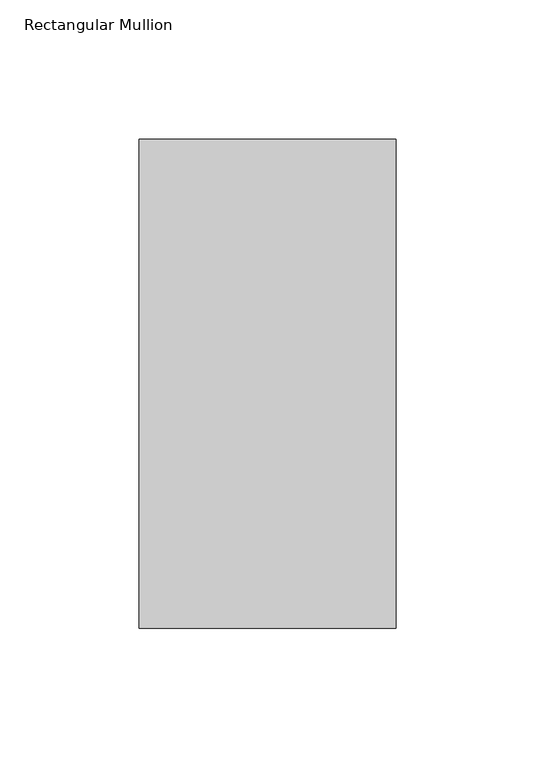
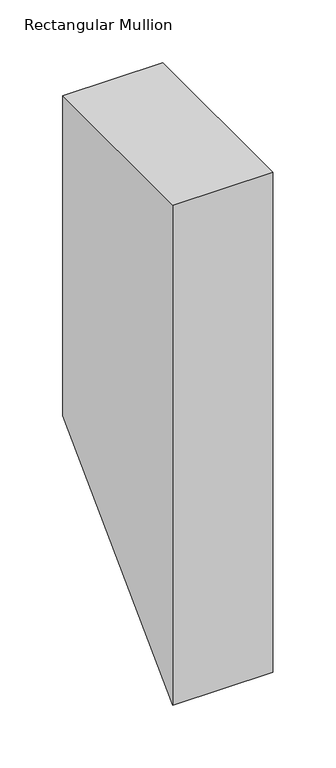
"""IFC4 building model written with IfcOpenShell, lengths in millimetres: member geometry, Rectangular Mullion."""

from ifc_helpers import new_model, si_unit, frame, origin, place, context, project, spatial, polyline, outline, extrude, source, transform, mapped, element, save


def rectangular_mullion_173f5ae7(model_context):
    return source(origin(), model_context, "Body", "SweptSolid", [
        extrude(outline(polyline([(46.7447302, 0.0), (222.1571312, 0.0), (222.1571312, -311.2428688), (46.7447302, -486.6552698), (46.7447302, 0.0)])), frame((-92.0876999, 0.0, 0.0), z_axis=(1.0, 0.0, 0.0), x_axis=(0.0, 1.0, 0.0)), (0.0, 0.0, 1.0), 92.0876999),
    ])


if __name__ == "__main__":
    model = new_model("IFC4")
    model_context = context("Model", 3, world=origin())
    ifc_project = project(units=[si_unit("LENGTHUNIT", "METRE", prefix="MILLI")], contexts=[model_context])
    site = spatial("IfcSite", under=ifc_project)
    building = spatial("IfcBuilding", under=site)
    placement = place(None, origin())
    rectangular_mullion_shape = rectangular_mullion_173f5ae7(model_context)
    element("IfcMember", 1, ObjectType="Rectangular Mullion", at=placement, inside=building, context=model_context, shape_type="MappedRepresentation", body=[
        mapped(rectangular_mullion_shape, transform((0.0, 0.0, 0.0), x_axis=(1.0, 0.0, 0.0), y_axis=(0.0, 1.0, 0.0), z_axis=(0.0, 0.0, 1.0))),
    ])
    save(model, "model.ifc")
